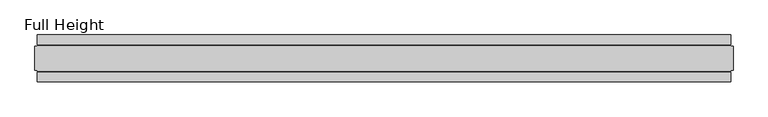
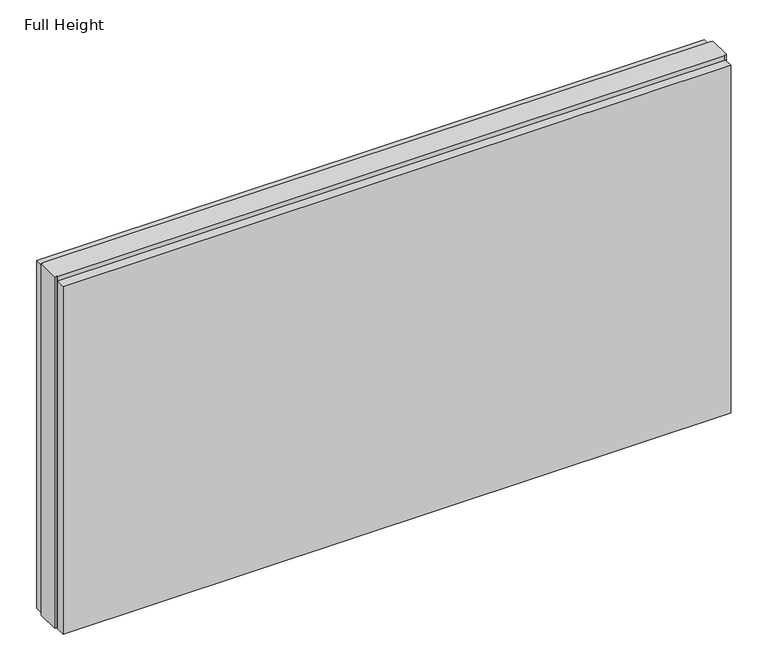
"""IFC4 building model written with IfcOpenShell, lengths in millimetres: plate geometry, Full Height."""

from ifc_helpers import new_model, si_unit, origin, origin_with_axes, place, context, project, spatial, polyline, outline, extrude, source, transform, mapped, element, save


def full_height_f5a437a1(model_context):
    return source(origin(), model_context, "Body", "SweptSolid", [
        extrude(outline(polyline([(732.028, 28.956), (-732.028, 28.956), (-732.028, 49.53), (732.028, 49.53), (732.028, 28.956)])), origin_with_axes(), (0.0, 0.0, 1.0), 806.196),
        extrude(outline(polyline([(732.028, -28.956), (732.028, -49.53), (-732.028, -49.53), (-732.028, -28.956), (732.028, -28.956)])), origin_with_axes(), (0.0, 0.0, 1.0), 806.196),
        extrude(outline(polyline([(732.028, -25.146), (732.028, -26.67), (-732.028, -26.67), (-732.028, -25.146), (-736.6, -25.146), (-736.6, 25.146), (-732.028, 25.146), (-732.028, 26.67), (732.028, 26.67), (732.028, 25.146), (736.6, 25.146), (736.6, -25.146), (732.028, -25.146)])), origin_with_axes(), (0.0, 0.0, 1.0), 815.34),
    ])


if __name__ == "__main__":
    model = new_model("IFC4")
    model_context = context("Model", 3, world=origin())
    ifc_project = project(units=[si_unit("LENGTHUNIT", "METRE", prefix="MILLI")], contexts=[model_context])
    site = spatial("IfcSite", under=ifc_project)
    building = spatial("IfcBuilding", under=site)
    placement = place(None, origin())
    full_height_shape = full_height_f5a437a1(model_context)
    element("IfcPlate", 1, ObjectType="Full Height", at=placement, inside=building, context=model_context, shape_type="MappedRepresentation", body=[
        mapped(full_height_shape, transform((0.0, 0.0, 0.0), x_axis=(1.0, 0.0, 0.0), y_axis=(0.0, 1.0, 0.0), z_axis=(0.0, 0.0, 1.0))),
    ])
    save(model, "model.ifc")
